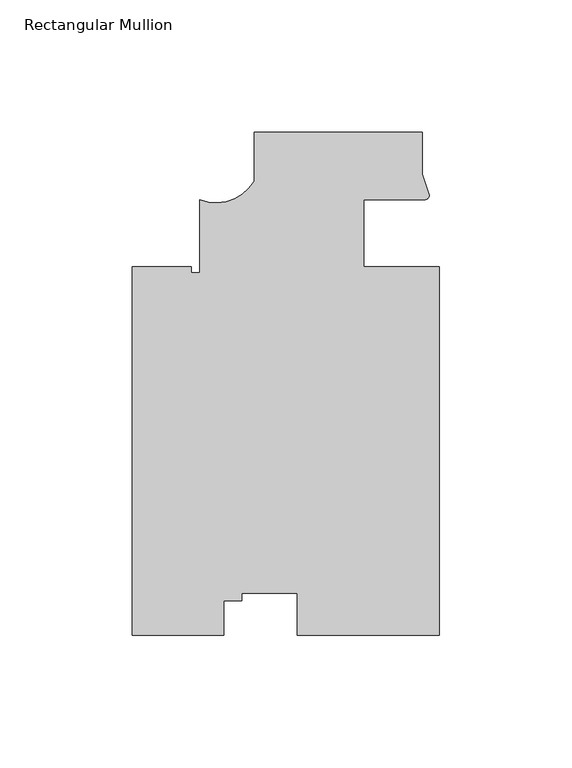
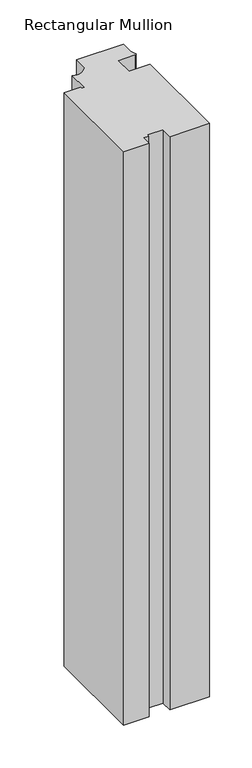
"""IFC4 building model written with IfcOpenShell, lengths in millimetres: member geometry, Rectangular Mullion."""

from ifc_helpers import new_model, si_unit, point, frame, frame_2d, origin, place, context, project, spatial, polyline, circle_curve, trimmed, segment, composite_curve, outline, extrude, source, transform, mapped, element, save


def rectangular_mullion_5ec0b869(model_context):
    return source(origin(), model_context, "Body", "SweptSolid", [
        extrude(outline(composite_curve([segment(polyline([(26.788756, -44.4435654), (26.8074563, -183.6351116), (-26.8075892, -183.6423148), (-26.8097251, -167.7439104), (-47.7563779, -167.7467246), (-47.7559944, -170.6013299), (-54.613994, -170.6022512), (-54.6122416, -183.6460503), (-89.1033522, -183.6506842), (-89.1220525, -44.4591379), (-66.8970993, -44.4556995), (-66.8967457, -46.7416995), (-63.7218451, -46.7412729), (-63.7255647, -19.0552788)]), True, "CONTINUOUS"), segment(trimmed(circle_curve(frame_2d((-57.4727252, -3.521353)), 16.7451739), [point((-63.7255647, -19.0552788))], [point((-43.0655959, -12.0557233))], True, "CARTESIAN"), True, "CONTINUOUS"), segment(polyline([(-43.0655959, -12.0557233), (-43.0680684, 6.3475024), (20.431931, 6.3560336), (20.4340638, -9.5188686), (23.0859853, -17.4551809)]), True, "CONTINUOUS"), segment(trimmed(circle_curve(frame_2d((21.3863522, -17.3424264)), 1.703369), [point((23.0859853, -17.4551809))], [point((21.4694723, -19.0437662))], False, "CARTESIAN"), True, "CONTINUOUS"), segment(trimmed(circle_curve(frame_2d((16.1965279, -480.0523595)), 461.0387479), [point((21.4694723, -19.0437662))], [point((-1.7896136, -19.3645848))], True, "CARTESIAN"), True, "CONTINUOUS"), segment(polyline([(-1.7896136, -19.3645848), (-1.7862438, -44.4468226), (26.788756, -44.4435654)]), True, "CONTINUOUS")], self_intersect=False)), frame((0.0, 0.0, -819.1500061), z_axis=(0.0, 0.0, 1.0), x_axis=(1.0, 0.0, 0.0)), (0.0, 0.0, 1.0), 819.1500061),
    ])


if __name__ == "__main__":
    model = new_model("IFC4")
    model_context = context("Model", 3, world=origin())
    ifc_project = project(units=[si_unit("LENGTHUNIT", "METRE", prefix="MILLI")], contexts=[model_context])
    site = spatial("IfcSite", under=ifc_project)
    building = spatial("IfcBuilding", under=site)
    placement = place(None, origin())
    rectangular_mullion_shape = rectangular_mullion_5ec0b869(model_context)
    element("IfcMember", 1, ObjectType="Rectangular Mullion", at=placement, inside=building, context=model_context, shape_type="MappedRepresentation", body=[
        mapped(rectangular_mullion_shape, transform((0.0, 0.0, 0.0), x_axis=(1.0, 0.0, 0.0), y_axis=(0.0, 1.0, 0.0), z_axis=(0.0, 0.0, 1.0))),
    ])
    save(model, "model.ifc")
